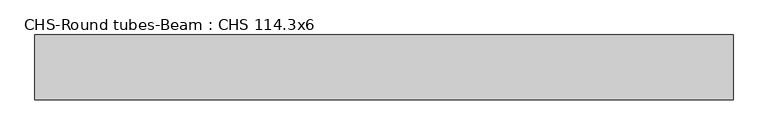
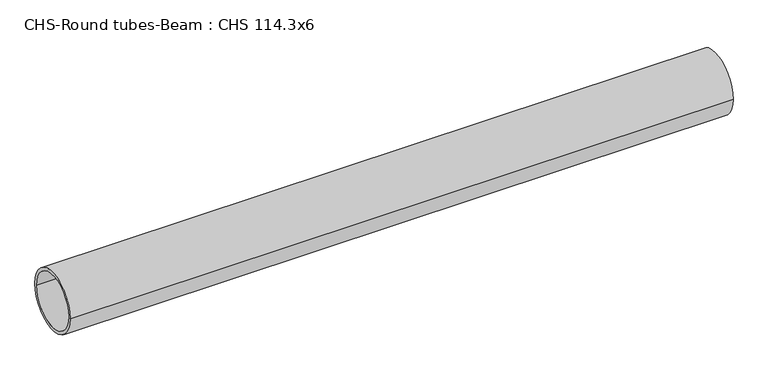
"""IFC4 building model written with IfcOpenShell, lengths in millimetres: beam geometry, CHS-Round tubes-Beam : CHS 114.3x6."""

from ifc_helpers import new_model, si_unit, point, frame, origin, origin_2d, place, context, project, spatial, circle_curve, trimmed, segment, composite_curve, outline, extrude, source, transform, mapped, element, save


def chs_round_tubes_beam_chs_114_3x6_880b6ec3(model_context):
    return source(origin(), model_context, "Body", "SweptSolid", [
        extrude(outline(composite_curve([segment(trimmed(circle_curve(origin_2d(), 57.15), [point((57.15, 0.0))], [point((-57.15, 0.0))], False, "CARTESIAN"), True, "CONTINUOUS"), segment(trimmed(circle_curve(origin_2d(), 57.15), [point((-57.15, 0.0))], [point((57.15, 0.0))], False, "CARTESIAN"), True, "CONTINUOUS")], self_intersect=False), holes=[composite_curve([segment(trimmed(circle_curve(origin_2d(), 51.15), [point((51.15, 0.0))], [point((-51.15, 0.0))], True, "CARTESIAN"), True, "CONTINUOUS"), segment(trimmed(circle_curve(origin_2d(), 51.15), [point((-51.15, 0.0))], [point((51.15, 0.0))], True, "CARTESIAN"), True, "CONTINUOUS")], self_intersect=False)]), frame((-631.9712485, 0.0, 0.0), z_axis=(1.0, 0.0, 0.0), x_axis=(0.0, 1.0, 0.0)), (0.0, 0.0, 1.0), 1233.5607058),
    ])


if __name__ == "__main__":
    model = new_model("IFC4")
    model_context = context("Model", 3, world=origin())
    ifc_project = project(units=[si_unit("LENGTHUNIT", "METRE", prefix="MILLI")], contexts=[model_context])
    site = spatial("IfcSite", under=ifc_project)
    building = spatial("IfcBuilding", under=site)
    placement = place(None, origin())
    chs_round_tubes_beam_chs_114_3x6_shape = chs_round_tubes_beam_chs_114_3x6_880b6ec3(model_context)
    element("IfcBeam", 1, ObjectType="CHS-Round tubes-Beam : CHS 114.3x6", at=placement, inside=building, context=model_context, shape_type="MappedRepresentation", body=[
        mapped(chs_round_tubes_beam_chs_114_3x6_shape, transform((0.0, 0.0, 0.0), x_axis=(1.0, 0.0, 0.0), y_axis=(0.0, 1.0, 0.0), z_axis=(0.0, 0.0, 1.0))),
    ])
    save(model, "model.ifc")
